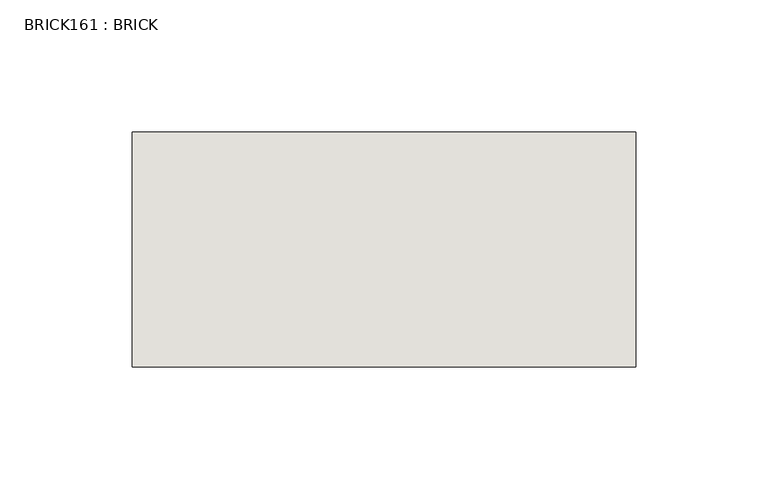
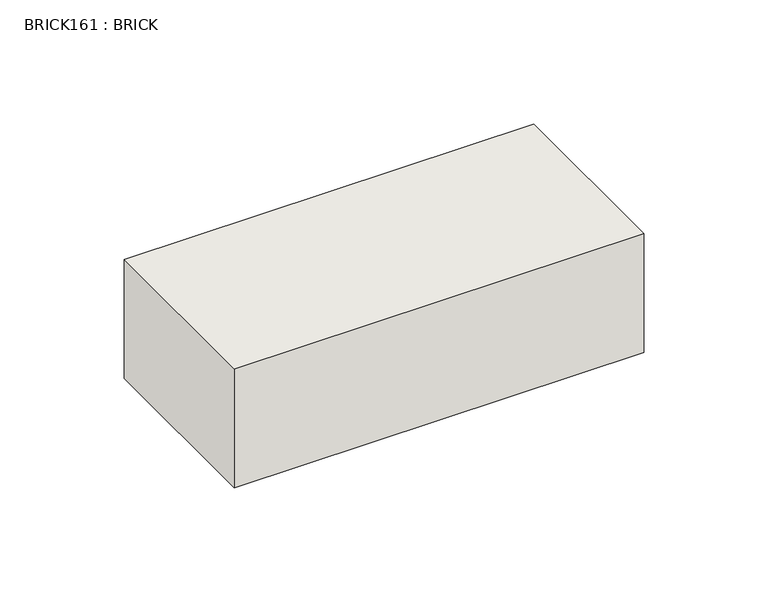
"""IFC4 building model written with IfcOpenShell, lengths in millimetres: wall geometry, BRICK161 : BRICK."""

from ifc_helpers import new_model, si_unit, frame, origin, place, context, project, spatial, polyline, outline, extrude, source, transform, mapped, element, save


def brick161_brick_458df380(model_context):
    return source(origin(), model_context, "Body", "SweptSolid", [
        extrude(outline(polyline([(-384.3469289, 2586.2274125), (-193.8469289, 2586.2274125), (-193.8469289, 2497.3274125), (-384.3469289, 2497.3274125), (-384.3469289, 2586.2274125)])), frame((0.0, 0.0, 493.4148438), z_axis=(0.0, 0.0, 1.0), x_axis=(1.0, 0.0, 0.0)), (0.0, 0.0, 1.0), 58.4398437),
    ])


if __name__ == "__main__":
    model = new_model("IFC4")
    model_context = context("Model", 3, world=origin())
    ifc_project = project(units=[si_unit("LENGTHUNIT", "METRE", prefix="MILLI")], contexts=[model_context])
    site = spatial("IfcSite", under=ifc_project)
    building = spatial("IfcBuilding", under=site)
    placement = place(None, origin())
    brick161_brick_shape = brick161_brick_458df380(model_context)
    element("IfcWall", 1, ObjectType="BRICK161 : BRICK", at=placement, inside=building, context=model_context, shape_type="MappedRepresentation", body=[
        mapped(brick161_brick_shape, transform((0.0, 0.0, 0.0), x_axis=(1.0, 0.0, 0.0), y_axis=(0.0, 1.0, 0.0), z_axis=(0.0, 0.0, 1.0))),
    ])
    save(model, "model.ifc")
